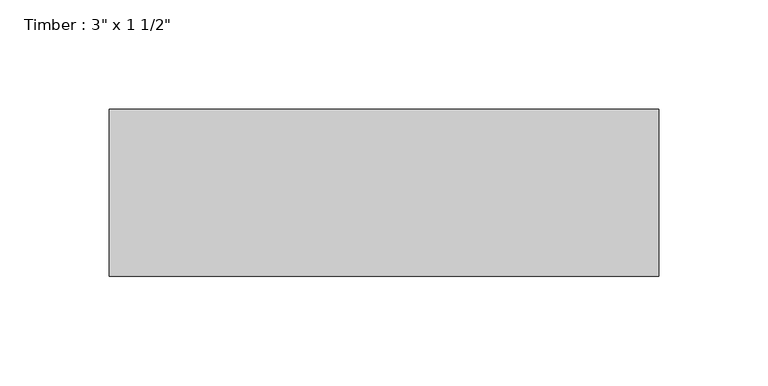
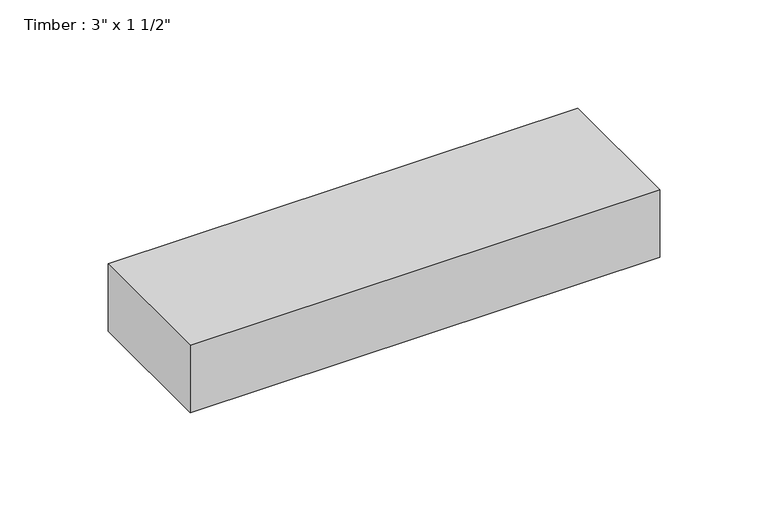
"""IFC4 building model written with IfcOpenShell, lengths in millimetres: beam geometry."""

from ifc_helpers import new_model, si_unit, frame, origin, place, context, project, spatial, polyline, outline, extrude, source, transform, mapped, element, save


def beam_089f6093(model_context):
    return source(origin(), model_context, "Body", "SweptSolid", [
        extrude(outline(polyline([(125.4125, 38.1), (125.4125, -38.1), (-125.4125, -38.1), (-125.4125, 38.1), (125.4125, 38.1)])), frame((0.0, 0.0, -19.05), z_axis=(0.0, 0.0, 1.0), x_axis=(1.0, 0.0, 0.0)), (0.0, 0.0, 1.0), 38.1),
    ])


if __name__ == "__main__":
    model = new_model("IFC4")
    model_context = context("Model", 3, world=origin())
    ifc_project = project(units=[si_unit("LENGTHUNIT", "METRE", prefix="MILLI")], contexts=[model_context])
    site = spatial("IfcSite", under=ifc_project)
    building = spatial("IfcBuilding", under=site)
    placement = place(None, origin())
    beam_shape = beam_089f6093(model_context)
    element("IfcBeam", 1, ObjectType="Timber : 3\" x 1 1/2\"", at=placement, inside=building, context=model_context, shape_type="MappedRepresentation", body=[
        mapped(beam_shape, transform((0.0, 0.0, 0.0), x_axis=(1.0, 0.0, 0.0), y_axis=(0.0, 1.0, 0.0), z_axis=(0.0, 0.0, 1.0))),
    ])
    save(model, "model.ifc")
